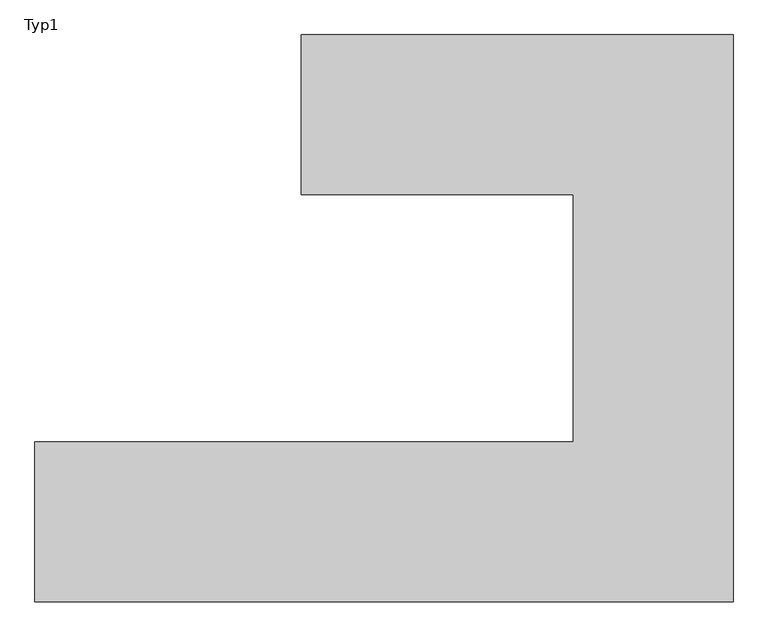
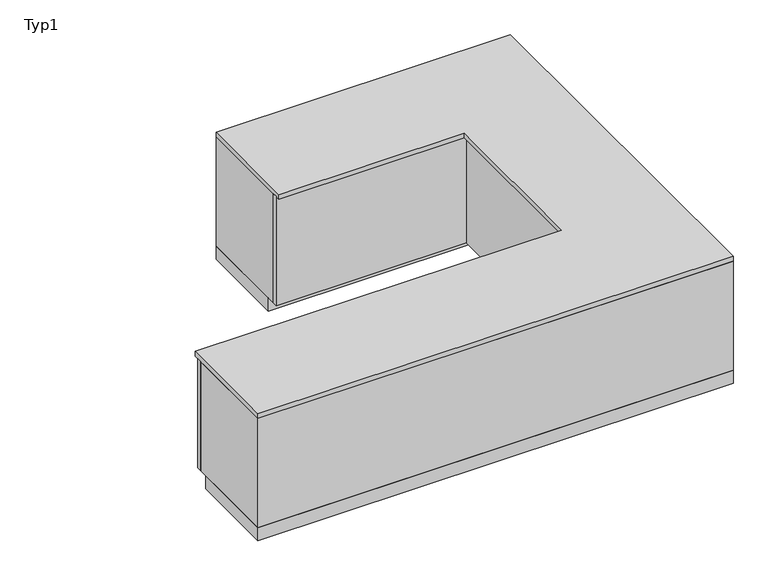
"""IFC4 building model written with IfcOpenShell, lengths in millimetres: furniture geometry, Typ1."""

from ifc_helpers import new_model, si_unit, frame, origin, origin_with_axes, place, context, project, spatial, polyline, outline, extrude, source, transform, mapped, element, save


def typ1_ea10b5cb(model_context):
    return source(origin(), model_context, "Body", "SweptSolid", [
        extrude(outline(polyline([(-1504.9164304, -330.0), (-1504.9164304, -300.0), (-320.0, -300.0), (-320.0, -1444.1341154), (-2605.0, -1444.1341154), (-2605.0, -1414.1341154), (-350.0, -1414.1341154), (-350.0, -330.0), (-1504.9164304, -330.0)])), frame((0.0, 0.0, 85.0), z_axis=(0.0, 0.0, 1.0), x_axis=(1.0, 0.0, 0.0)), (0.0, 0.0, 1.0), 700.0),
        extrude(outline(polyline([(-1504.9164304, -360.0), (-1504.9164304, 300.0), (280.0, 300.0), (280.0, -2044.1341154), (-2605.0, -2044.1341154), (-2605.0, -1384.1341154), (-380.0, -1384.1341154), (-380.0, -360.0), (-1504.9164304, -360.0)])), frame((0.0, 0.0, 785.0), z_axis=(0.0, 0.0, 1.0), x_axis=(1.0, 0.0, 0.0)), (0.0, 0.0, 1.0), 30.0),
        extrude(outline(polyline([(-1504.9164304, -300.0), (-1504.9164304, 300.0), (280.0, 300.0), (280.0, -2044.1341154), (-2605.0, -2044.1341154), (-2605.0, -1444.1341154), (-320.0, -1444.1341154), (-320.0, -300.0), (-1504.9164304, -300.0)])), frame((0.0, 0.0, 85.0), z_axis=(0.0, 0.0, 1.0), x_axis=(1.0, 0.0, 0.0)), (0.0, 0.0, 1.0), 700.0),
        extrude(outline(polyline([(-1504.9164304, -250.0), (-1504.9164304, 300.0), (280.0, 300.0), (280.0, -2044.1341154), (-2605.0, -2044.1341154), (-2605.0, -1494.1341154), (-270.0, -1494.1341154), (-270.0, -250.0), (-1504.9164304, -250.0)])), origin_with_axes(), (0.0, 0.0, 1.0), 85.0),
    ])


if __name__ == "__main__":
    model = new_model("IFC4")
    model_context = context("Model", 3, world=origin())
    ifc_project = project(units=[si_unit("LENGTHUNIT", "METRE", prefix="MILLI")], contexts=[model_context])
    site = spatial("IfcSite", under=ifc_project)
    building = spatial("IfcBuilding", under=site)
    placement = place(None, origin())
    typ1_shape = typ1_ea10b5cb(model_context)
    element("IfcFurniture", 1, ObjectType="Typ1", at=placement, inside=building, context=model_context, shape_type="MappedRepresentation", body=[
        mapped(typ1_shape, transform((0.0, 0.0, 0.0), x_axis=(1.0, 0.0, 0.0), y_axis=(0.0, 1.0, 0.0), z_axis=(0.0, 0.0, 1.0))),
    ])
    save(model, "model.ifc")
